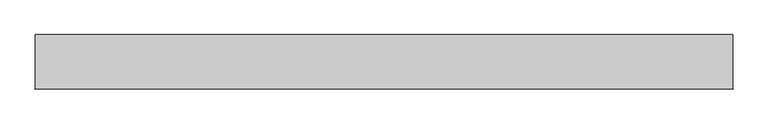
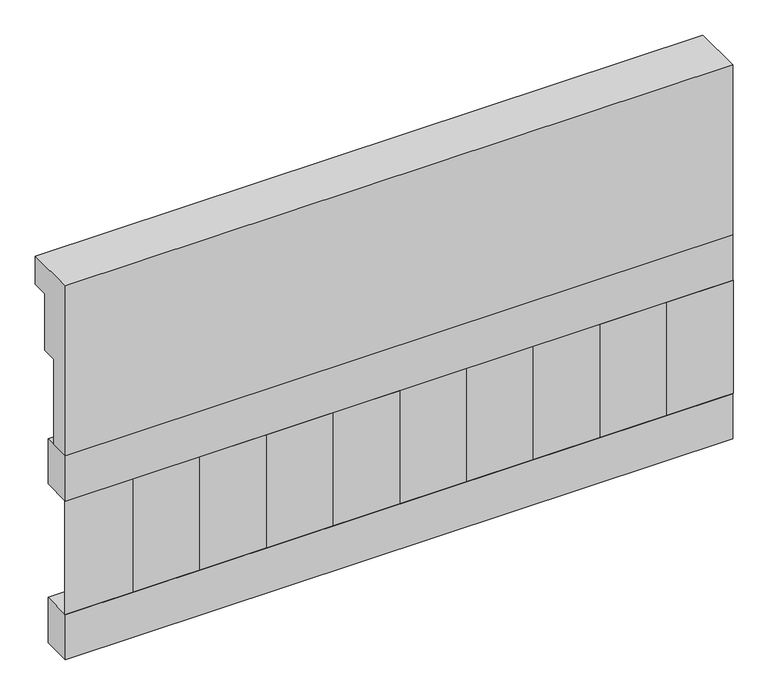
"""IFC4 building model written with IfcOpenShell, lengths in millimetres: railing geometry."""

from ifc_helpers import new_model, si_unit, frame, origin, place, context, project, spatial, polyline, outline, extrude, source, transform, mapped, element, save


def railing_0a84b297(model_context):
    return source(origin(), model_context, "Body", "SweptSolid", [
        extrude(outline(polyline([(903.1079487, 15200.0), (1033.1079487, 15200.0), (1033.1079487, 15125.0), (993.1079487, 15125.0), (993.1079487, 14975.0), (953.1079487, 14975.0), (953.1079487, 14750.0), (903.1079487, 14750.0), (903.1079487, 15200.0)])), frame((-33139.9887159, 0.0, 0.0), z_axis=(1.0, 0.0, 0.0), x_axis=(0.0, 1.0, 0.0)), (0.0, 0.0, 1.0), 1670.0),
        extrude(outline(polyline([(-31469.9887159, 978.1079487), (-31469.9887159, 903.1079487), (-33139.9887159, 903.1079487), (-33139.9887159, 978.1079487), (-31469.9887159, 978.1079487)])), frame((0.0, 0.0, 14630.0), z_axis=(0.0, 0.0, 1.0), x_axis=(1.0, 0.0, 0.0)), (0.0, 0.0, 1.0), 120.0),
        extrude(outline(polyline([(-31469.9887159, 978.1079487), (-31469.9887159, 903.1079487), (-33139.9887159, 903.1079487), (-33139.9887159, 978.1079487), (-31469.9887159, 978.1079487)])), frame((0.0, 0.0, 14210.0), z_axis=(0.0, 0.0, 1.0), x_axis=(1.0, 0.0, 0.0)), (0.0, 0.0, 1.0), 120.0),
        extrude(outline(polyline([(-33056.4887159, 987.9607624), (-32971.6359022, 903.1079487), (-33141.3415296, 903.1079487), (-33056.4887159, 987.9607624)])), frame((0.0, 0.0, 14330.0), z_axis=(0.0, 0.0, 1.0), x_axis=(1.0, 0.0, 0.0)), (0.0, 0.0, 1.0), 300.0),
        extrude(outline(polyline([(-32889.4887159, 987.9607624), (-32804.6359022, 903.1079487), (-32974.3415296, 903.1079487), (-32889.4887159, 987.9607624)])), frame((0.0, 0.0, 14330.0), z_axis=(0.0, 0.0, 1.0), x_axis=(1.0, 0.0, 0.0)), (0.0, 0.0, 1.0), 300.0),
        extrude(outline(polyline([(-32722.4887159, 987.9607624), (-32637.6359022, 903.1079487), (-32807.3415296, 903.1079487), (-32722.4887159, 987.9607624)])), frame((0.0, 0.0, 14330.0), z_axis=(0.0, 0.0, 1.0), x_axis=(1.0, 0.0, 0.0)), (0.0, 0.0, 1.0), 300.0),
        extrude(outline(polyline([(-32555.4887159, 987.9607624), (-32470.6359022, 903.1079487), (-32640.3415296, 903.1079487), (-32555.4887159, 987.9607624)])), frame((0.0, 0.0, 14330.0), z_axis=(0.0, 0.0, 1.0), x_axis=(1.0, 0.0, 0.0)), (0.0, 0.0, 1.0), 300.0),
        extrude(outline(polyline([(-32388.4887159, 987.9607624), (-32303.6359022, 903.1079487), (-32473.3415296, 903.1079487), (-32388.4887159, 987.9607624)])), frame((0.0, 0.0, 14330.0), z_axis=(0.0, 0.0, 1.0), x_axis=(1.0, 0.0, 0.0)), (0.0, 0.0, 1.0), 300.0),
        extrude(outline(polyline([(-32221.4887159, 987.9607624), (-32136.6359022, 903.1079487), (-32306.3415296, 903.1079487), (-32221.4887159, 987.9607624)])), frame((0.0, 0.0, 14330.0), z_axis=(0.0, 0.0, 1.0), x_axis=(1.0, 0.0, 0.0)), (0.0, 0.0, 1.0), 300.0),
        extrude(outline(polyline([(-32054.4887159, 987.9607624), (-31969.6359022, 903.1079487), (-32139.3415296, 903.1079487), (-32054.4887159, 987.9607624)])), frame((0.0, 0.0, 14330.0), z_axis=(0.0, 0.0, 1.0), x_axis=(1.0, 0.0, 0.0)), (0.0, 0.0, 1.0), 300.0),
        extrude(outline(polyline([(-31887.4887159, 987.9607624), (-31802.6359022, 903.1079487), (-31972.3415296, 903.1079487), (-31887.4887159, 987.9607624)])), frame((0.0, 0.0, 14330.0), z_axis=(0.0, 0.0, 1.0), x_axis=(1.0, 0.0, 0.0)), (0.0, 0.0, 1.0), 300.0),
        extrude(outline(polyline([(-31720.4887159, 987.9607624), (-31635.6359022, 903.1079487), (-31805.3415296, 903.1079487), (-31720.4887159, 987.9607624)])), frame((0.0, 0.0, 14330.0), z_axis=(0.0, 0.0, 1.0), x_axis=(1.0, 0.0, 0.0)), (0.0, 0.0, 1.0), 300.0),
        extrude(outline(polyline([(-31553.4887159, 987.9607624), (-31468.6359022, 903.1079487), (-31638.3415296, 903.1079487), (-31553.4887159, 987.9607624)])), frame((0.0, 0.0, 14330.0), z_axis=(0.0, 0.0, 1.0), x_axis=(1.0, 0.0, 0.0)), (0.0, 0.0, 1.0), 300.0),
    ])


if __name__ == "__main__":
    model = new_model("IFC4")
    model_context = context("Model", 3, world=origin())
    ifc_project = project(units=[si_unit("LENGTHUNIT", "METRE", prefix="MILLI")], contexts=[model_context])
    site = spatial("IfcSite", under=ifc_project)
    building = spatial("IfcBuilding", under=site)
    placement = place(None, origin())
    railing_shape = railing_0a84b297(model_context)
    element("IfcRailing", 1, at=placement, inside=building, context=model_context, shape_type="MappedRepresentation", body=[
        mapped(railing_shape, transform((0.0, 0.0, 0.0), x_axis=(1.0, 0.0, 0.0), y_axis=(0.0, 1.0, 0.0), z_axis=(0.0, 0.0, 1.0))),
    ])
    save(model, "model.ifc")
